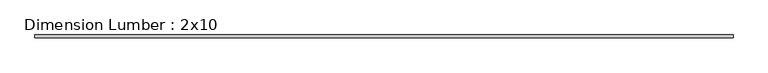
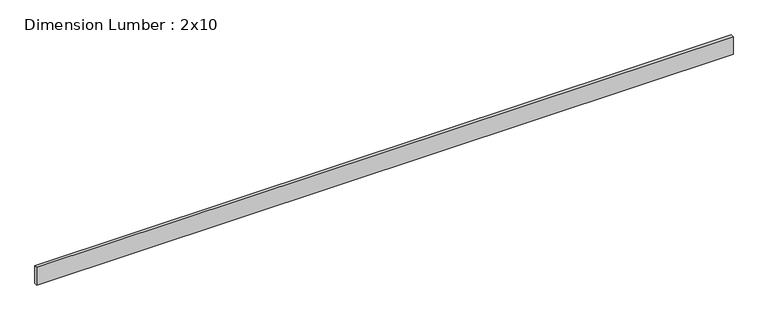
"""IFC4 building model written with IfcOpenShell, lengths in millimetres: beam geometry, Dimension Lumber : 2x10."""

from ifc_helpers import new_model, si_unit, frame, origin, place, context, project, spatial, polyline, outline, extrude, source, transform, mapped, element, save


def dimension_lumber_2x10_7ce4cbdc(model_context):
    return source(origin(), model_context, "Body", "SweptSolid", [
        extrude(outline(polyline([(4363.8124111, 19.05), (4363.8124111, -19.05), (-4363.8124111, -19.05), (-4363.8124111, 19.05), (4363.8124111, 19.05)])), frame((0.0, 0.0, -117.475), z_axis=(0.0, 0.0, 1.0), x_axis=(1.0, 0.0, 0.0)), (0.0, 0.0, 1.0), 234.95),
    ])


if __name__ == "__main__":
    model = new_model("IFC4")
    model_context = context("Model", 3, world=origin())
    ifc_project = project(units=[si_unit("LENGTHUNIT", "METRE", prefix="MILLI")], contexts=[model_context])
    site = spatial("IfcSite", under=ifc_project)
    building = spatial("IfcBuilding", under=site)
    placement = place(None, origin())
    dimension_lumber_2x10_shape = dimension_lumber_2x10_7ce4cbdc(model_context)
    element("IfcBeam", 1, ObjectType="Dimension Lumber : 2x10", at=placement, inside=building, context=model_context, shape_type="MappedRepresentation", body=[
        mapped(dimension_lumber_2x10_shape, transform((0.0, 0.0, 0.0), x_axis=(1.0, 0.0, 0.0), y_axis=(0.0, 1.0, 0.0), z_axis=(0.0, 0.0, 1.0))),
    ])
    save(model, "model.ifc")
